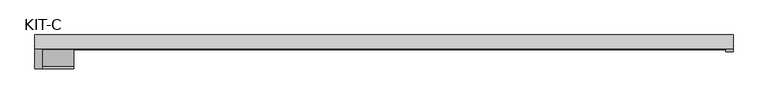
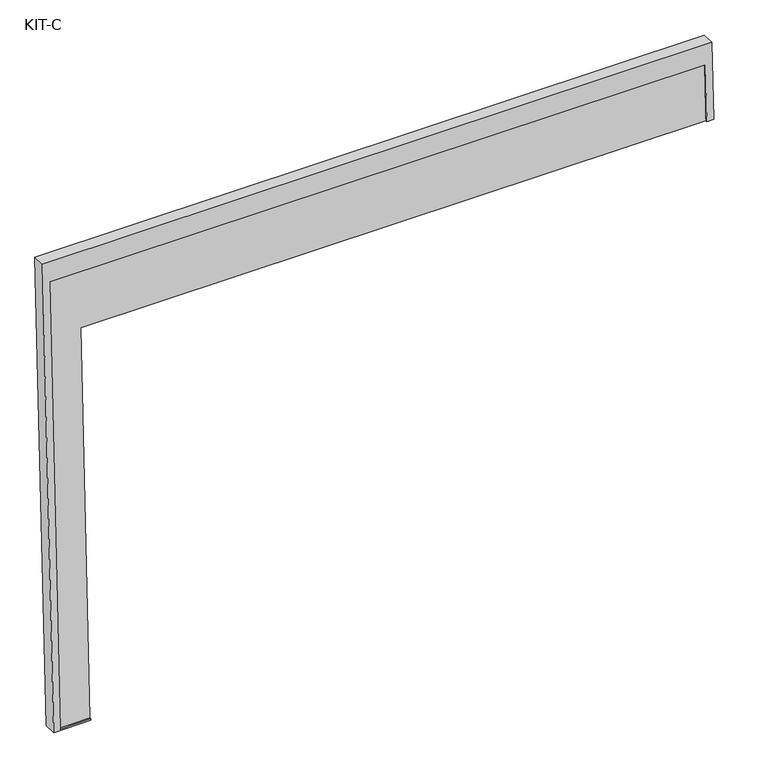
"""IFC4 building model written with IfcOpenShell, lengths in millimetres: plate geometry, KIT-C."""

from ifc_helpers import new_model, si_unit, frame, origin, place, context, project, spatial, polyline, outline, extrude, source, transform, mapped, element, save


def kit_c_806a73a2(model_context):
    return source(origin(), model_context, "Body", "SweptSolid", [
        extrude(outline(polyline([(0.0, 0.0), (0.0, -1754.0), (-158.0, -1754.0), (-158.0, -81.5), (-1236.531593, -81.5), (-1236.531593, 0.0), (0.0, 0.0)])), frame((-877.0, 7.6386598, 1185.0003484), z_axis=(0.0, -0.9992101801000246, 0.039736834102334216), x_axis=(0.0, 0.039736834102334216, 0.9992101801000246)), (0.0, 0.0, 1.0), 27.4505712),
        extrude(outline(polyline([(0.0, 0.0), (0.0, -1791.0), (-213.0, -1791.0), (-213.0, -1772.5), (-55.0, -1772.5), (-55.0, -18.5), (-1291.531593, -18.5), (-1291.531593, -100.0), (-1295.0000001, -100.0), (-1295.0000001, 0.0), (0.0, 0.0)])), frame((-895.5, 12.3716008, 1239.8556021), z_axis=(0.0, -0.9992101801000247, 0.03973683410233422), x_axis=(0.0, 0.03973683410233422, 0.9992101801000247)), (0.0, 0.0, 1.0), 35.0),
    ])


if __name__ == "__main__":
    model = new_model("IFC4")
    model_context = context("Model", 3, world=origin())
    ifc_project = project(units=[si_unit("LENGTHUNIT", "METRE", prefix="MILLI")], contexts=[model_context])
    site = spatial("IfcSite", under=ifc_project)
    building = spatial("IfcBuilding", under=site)
    placement = place(None, origin())
    kit_c_shape = kit_c_806a73a2(model_context)
    element("IfcPlate", 1, ObjectType="KIT-C", at=placement, inside=building, context=model_context, shape_type="MappedRepresentation", body=[
        mapped(kit_c_shape, transform((0.0, 0.0, 0.0), x_axis=(1.0, 0.0, 0.0), y_axis=(0.0, 1.0, 0.0), z_axis=(0.0, 0.0, 1.0))),
    ])
    save(model, "model.ifc")
